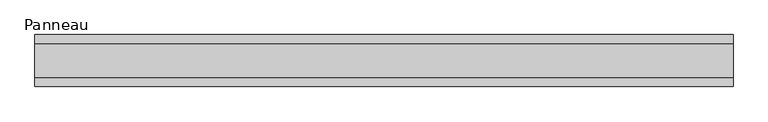
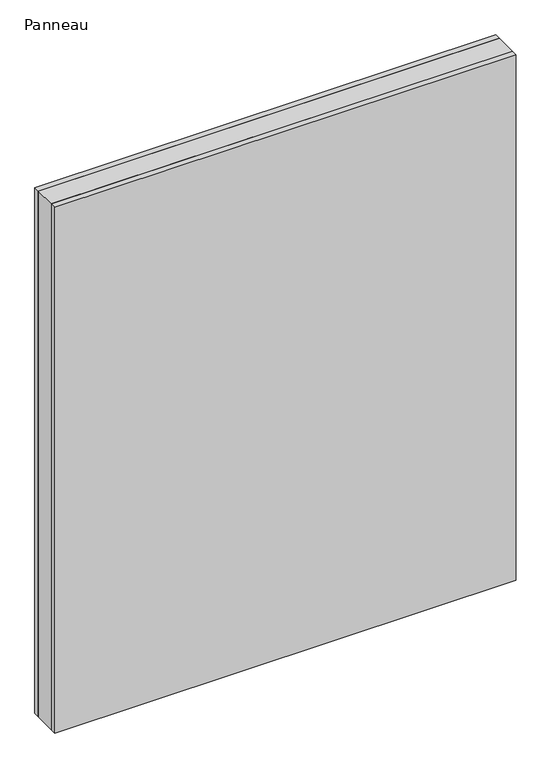
"""IFC4 building model written with IfcOpenShell, lengths in millimetres: plate geometry, Panneau."""

import ifcopenshell
import ifcopenshell.guid

model = None  # the IFC model being written
_history = None  # IfcOwnerHistory: only IFC2X3 demands one
_inside = {}  # id of a spatial element -> (the spatial element, [elements in it])
_under = {}  # id of a project, library or spatial element -> (it, [spatial elements below it])
_declared = {}  # id of a project -> (the project, [libraries it declares])
_typed = {}  # id of a type object -> (the type object, [elements of that type])
_made_of = {}  # id of a material, layer set ... -> (it, [elements and type objects made of it])


def new_model(schema):
    """Start an empty IFC model of exactly this schema.

    Asked for "IFC4X3", IfcOpenShell would pick the latest addendum, in which some entities
    have other attributes; the version numbers below select the first issue.
    IFC2X3 requires an IfcOwnerHistory on every rooted entity: one is made here for all.
    """
    global model, _history
    if schema == "IFC4X3":
        model = ifcopenshell.file(schema_version=(4, 3, 0, 0))
    else:
        model = ifcopenshell.file(schema=schema)
    _inside.clear()
    _under.clear()
    _declared.clear()
    _typed.clear()
    _made_of.clear()
    _history = None
    if model.schema == "IFC2X3":
        org = make("IfcOrganization", Name="unknown")
        user = make(
            "IfcPersonAndOrganization",
            ThePerson=make("IfcPerson", FamilyName="unknown"),
            TheOrganization=org,
        )
        app = make(
            "IfcApplication",
            ApplicationDeveloper=org,
            Version="unknown",
            ApplicationFullName="unknown",
            ApplicationIdentifier="unknown",
        )
        _history = make(
            "IfcOwnerHistory",
            OwningUser=user,
            OwningApplication=app,
            ChangeAction="ADDED",
            CreationDate=0,
        )
    return model


def make(cls, **values):
    """One entity of the class cls with the attributes given. An attribute that is None is left unset."""
    return model.create_entity(
        cls, **{name: value for name, value in values.items() if value is not None}
    )


def rooted(cls, **values):
    """An entity with a GlobalId (a new one), such as an element, a storey or a relation."""
    return make(cls, GlobalId=ifcopenshell.guid.new(), OwnerHistory=_history, **values)


def si_unit(unit_type, name, prefix=None):
    """IfcSIUnit, for example si_unit("LENGTHUNIT", "METRE", prefix="MILLI")."""
    return make("IfcSIUnit", UnitType=unit_type, Prefix=prefix, Name=name)


def assignment(units):
    """IfcUnitAssignment: the units of a project."""
    return None if units is None else make("IfcUnitAssignment", Units=units)


def point(xyz):
    """IfcCartesianPoint."""
    return None if xyz is None else make("IfcCartesianPoint", Coordinates=xyz)


def direction(xyz):
    """IfcDirection."""
    return None if xyz is None else make("IfcDirection", DirectionRatios=xyz)


def frame(location, z_axis=None, x_axis=None):
    """IfcAxis2Placement3D, a coordinate frame: its origin and axes. An axis left out is left unset."""
    return make(
        "IfcAxis2Placement3D",
        Location=point(location),
        Axis=direction(z_axis),
        RefDirection=direction(x_axis),
    )


def origin():
    """The frame at (0, 0, 0) with its axes left unset."""
    return frame((0.0, 0.0, 0.0))


def origin_with_axes():
    """The frame at (0, 0, 0) with the z axis (0, 0, 1) and the x axis (1, 0, 0) written out."""
    return frame((0.0, 0.0, 0.0), z_axis=(0.0, 0.0, 1.0), x_axis=(1.0, 0.0, 0.0))


def place(relative_to, where):
    """IfcLocalPlacement: puts the frame where relative to a parent placement (None: the world)."""
    return make(
        "IfcLocalPlacement", PlacementRelTo=relative_to, RelativePlacement=where
    )


def context(
    kind, dimensions, precision=None, world=None, true_north=None, identifier=None
):
    """IfcGeometricRepresentationContext, for example the 3D "Model" context."""
    return make(
        "IfcGeometricRepresentationContext",
        ContextIdentifier=identifier,
        ContextType=kind,
        CoordinateSpaceDimension=dimensions,
        Precision=precision,
        WorldCoordinateSystem=world,
        TrueNorth=true_north,
    )


def project(units=None, contexts=None):
    """IfcProject with its units and contexts."""
    return rooted(
        "IfcProject",
        Name="project",
        RepresentationContexts=contexts,
        UnitsInContext=assignment(units),
    )


def spatial(cls, under=None, at=None, **own):
    """A site, building, storey or space (cls), placed at a placement, below another one or the project."""
    s = rooted(cls, ObjectPlacement=at, **own)
    if under is not None:
        _under.setdefault(under.id(), (under, []))[1].append(s)
    return s


def polyline(points):
    """IfcPolyline through the points."""
    return make("IfcPolyline", Points=[point(p) for p in points])


def outline(outer, holes=None, kind="AREA"):
    """IfcArbitraryClosedProfileDef: a profile drawn as a closed curve; with holes, ...WithVoids."""
    if holes is None:
        return make("IfcArbitraryClosedProfileDef", ProfileType=kind, OuterCurve=outer)
    return make(
        "IfcArbitraryProfileDefWithVoids",
        ProfileType=kind,
        OuterCurve=outer,
        InnerCurves=holes,
    )


def extrude(swept, where, along, depth):
    """IfcExtrudedAreaSolid: the profile swept, set in the frame where, extruded along a direction by depth."""
    return make(
        "IfcExtrudedAreaSolid",
        SweptArea=swept,
        Position=where,
        ExtrudedDirection=direction(along),
        Depth=depth,
    )


def shape(context_of_items, identifier, shape_type, items):
    """IfcShapeRepresentation: the items that make up one representation, for example the "Body"."""
    return make(
        "IfcShapeRepresentation",
        ContextOfItems=context_of_items,
        RepresentationIdentifier=identifier,
        RepresentationType=shape_type,
        Items=items,
    )


def source(mapping_origin, context_of_items, identifier, shape_type, items):
    """IfcRepresentationMap: a shape defined once, which mapped items show again and again."""
    return make(
        "IfcRepresentationMap",
        MappingOrigin=mapping_origin,
        MappedRepresentation=shape(context_of_items, identifier, shape_type, items),
    )


def transform(
    local_origin,
    x_axis=None,
    y_axis=None,
    z_axis=None,
    scale=None,
    scale2=None,
    scale3=None,
    uniform=True,
):
    """IfcCartesianTransformationOperator3D, or its non-uniform kind. x_axis, y_axis, z_axis: its Axis1, 2, 3."""
    if uniform:
        return make(
            "IfcCartesianTransformationOperator3D",
            Axis1=direction(x_axis),
            Axis2=direction(y_axis),
            LocalOrigin=point(local_origin),
            Scale=scale,
            Axis3=direction(z_axis),
        )
    return make(
        "IfcCartesianTransformationOperator3DnonUniform",
        Axis1=direction(x_axis),
        Axis2=direction(y_axis),
        LocalOrigin=point(local_origin),
        Scale=scale,
        Axis3=direction(z_axis),
        Scale2=scale2,
        Scale3=scale3,
    )


def mapped(mapping_source, mapping_target):
    """IfcMappedItem: shows the shape of a source again, moved by a transform."""
    return make(
        "IfcMappedItem", MappingSource=mapping_source, MappingTarget=mapping_target
    )


def made_of(thing, what):
    """Note that an element or type object is made of a material, layer set ...; save() writes the relation."""
    if what is not None:
        _made_of.setdefault(what.id(), (what, []))[1].append(thing)
    return thing


def element(
    cls,
    number,
    at=None,
    inside=None,
    cuts=None,
    type_object=None,
    material=None,
    context=None,
    identifier="Body",
    shape_type=None,
    held_by="IfcProductDefinitionShape",
    body=None,
    shapes=None,
    **own,
):
    """One element of the class cls, such as IfcWall. Its Tag is "e" and its number.

    at: its placement. inside: the storey or other place that contains it. cuts: it is an
    opening in that element (IfcRelVoidsElement). A single representation is given by context,
    identifier, shape_type and body (its items); several are given by shapes. held_by: the class
    of the entity that holds the representations. save() writes the other relations.
    """
    e = rooted(cls, Tag="e%d" % number, ObjectPlacement=at, **own)
    if body is not None:
        shapes = [shape(context, identifier, shape_type, body)]
    if shapes is not None:
        e.Representation = make(held_by, Representations=shapes)
    if inside is not None:
        _inside.setdefault(inside.id(), (inside, []))[1].append(e)
    if cuts is not None:
        rooted(
            "IfcRelVoidsElement", RelatingBuildingElement=cuts, RelatedOpeningElement=e
        )
    if type_object is not None:
        _typed.setdefault(type_object.id(), (type_object, []))[1].append(e)
    return made_of(e, material)


def aggregate(whole, parts):
    """IfcRelAggregates: a whole, such as a stair, and the parts it consists of."""
    return rooted("IfcRelAggregates", RelatingObject=whole, RelatedObjects=parts)


def save(model, path):
    """Write the relations noted so far, then the file.

    IfcRelAggregates (storeys below a building ...), IfcRelContainedInSpatialStructure (elements
    in a storey), IfcRelDefinesByType, IfcRelAssociatesMaterial and IfcRelDeclares: one each for
    every whole, place, type object, material and project.
    """
    for whole, parts in _under.values():
        aggregate(whole, parts)
    for where, things in _inside.values():
        rooted(
            "IfcRelContainedInSpatialStructure",
            RelatedElements=things,
            RelatingStructure=where,
        )
    for kind, things in _typed.values():
        rooted("IfcRelDefinesByType", RelatedObjects=things, RelatingType=kind)
    for what, things in _made_of.values():
        rooted("IfcRelAssociatesMaterial", RelatedObjects=things, RelatingMaterial=what)
    for by, libraries in _declared.values():
        rooted("IfcRelDeclares", RelatingContext=by, RelatedDefinitions=libraries)
    model.write(path)


def panneau_fe765d28(model_context):
    return source(origin(), model_context, "Body", "SweptSolid", [
        extrude(outline(polyline([(603.3749999, 29.0), (603.3749999, -29.0), (-603.3749999, -29.0), (-603.3749999, 29.0), (603.3749999, 29.0)])), origin_with_axes(), (0.0, 0.0, 1.0), 1453.5),
        extrude(outline(polyline([(603.3749999, 45.0), (603.3749999, 29.0), (-603.3749999, 29.0), (-603.3749999, 45.0), (603.3749999, 45.0)])), origin_with_axes(), (0.0, 0.0, 1.0), 1453.5),
        extrude(outline(polyline([(-603.3749999, -45.0), (-603.3749999, -29.0), (603.3749999, -29.0), (603.3749999, -45.0), (-603.3749999, -45.0)])), origin_with_axes(), (0.0, 0.0, 1.0), 1453.5),
    ])


if __name__ == "__main__":
    model = new_model("IFC4")
    model_context = context("Model", 3, world=origin())
    ifc_project = project(units=[si_unit("LENGTHUNIT", "METRE", prefix="MILLI")], contexts=[model_context])
    site = spatial("IfcSite", under=ifc_project)
    building = spatial("IfcBuilding", under=site)
    placement = place(None, origin())
    panneau_shape = panneau_fe765d28(model_context)
    element("IfcPlate", 1, ObjectType="Panneau", at=placement, inside=building, context=model_context, shape_type="MappedRepresentation", body=[
        mapped(panneau_shape, transform((0.0, 0.0, 0.0), x_axis=(1.0, 0.0, 0.0), y_axis=(0.0, 1.0, 0.0), z_axis=(0.0, 0.0, 1.0))),
    ])
    save(model, "model.ifc")
